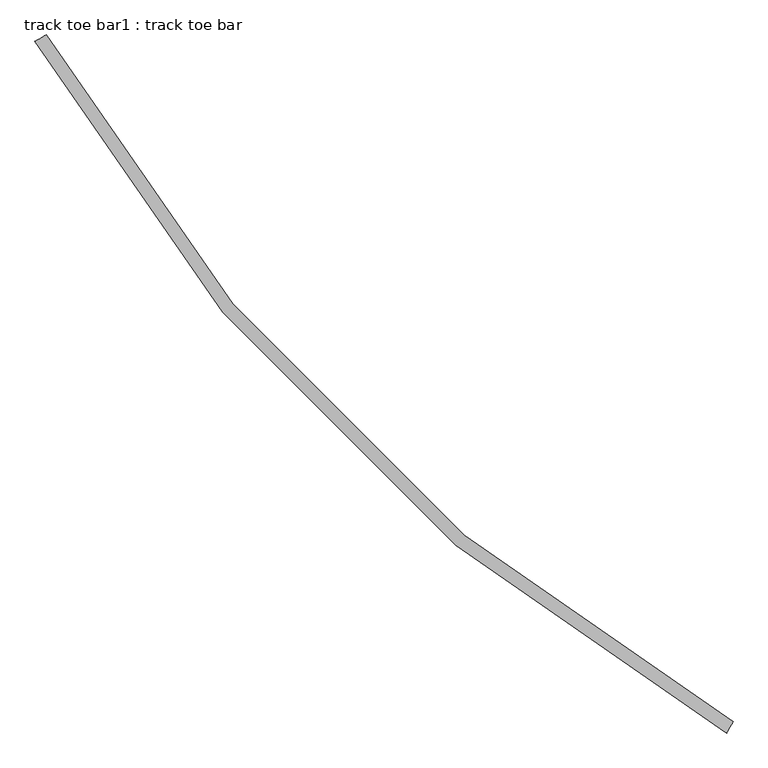
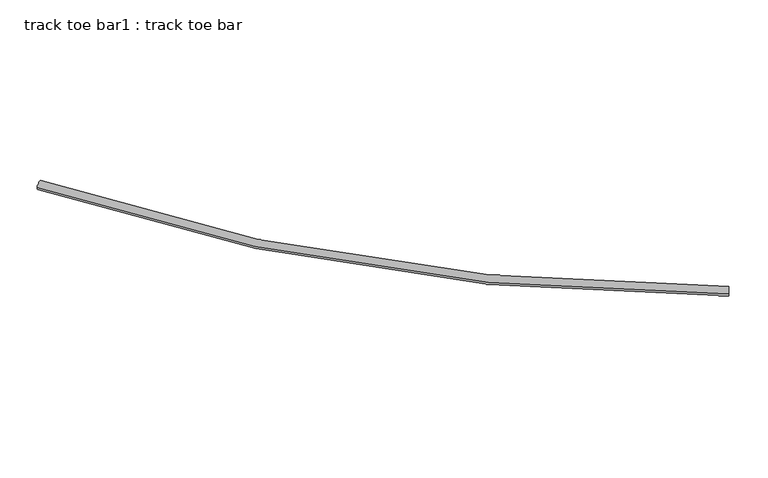
"""IFC4 building model written with IfcOpenShell, lengths in millimetres: proxy geometry, track toe bar1 : track toe bar."""

import ifcopenshell
import ifcopenshell.guid

model = None  # the IFC model being written
_history = None  # IfcOwnerHistory: only IFC2X3 demands one
_inside = {}  # id of a spatial element -> (the spatial element, [elements in it])
_under = {}  # id of a project, library or spatial element -> (it, [spatial elements below it])
_declared = {}  # id of a project -> (the project, [libraries it declares])
_typed = {}  # id of a type object -> (the type object, [elements of that type])
_made_of = {}  # id of a material, layer set ... -> (it, [elements and type objects made of it])


def new_model(schema):
    """Start an empty IFC model of exactly this schema.

    Asked for "IFC4X3", IfcOpenShell would pick the latest addendum, in which some entities
    have other attributes; the version numbers below select the first issue.
    IFC2X3 requires an IfcOwnerHistory on every rooted entity: one is made here for all.
    """
    global model, _history
    if schema == "IFC4X3":
        model = ifcopenshell.file(schema_version=(4, 3, 0, 0))
    else:
        model = ifcopenshell.file(schema=schema)
    _inside.clear()
    _under.clear()
    _declared.clear()
    _typed.clear()
    _made_of.clear()
    _history = None
    if model.schema == "IFC2X3":
        org = make("IfcOrganization", Name="unknown")
        user = make(
            "IfcPersonAndOrganization",
            ThePerson=make("IfcPerson", FamilyName="unknown"),
            TheOrganization=org,
        )
        app = make(
            "IfcApplication",
            ApplicationDeveloper=org,
            Version="unknown",
            ApplicationFullName="unknown",
            ApplicationIdentifier="unknown",
        )
        _history = make(
            "IfcOwnerHistory",
            OwningUser=user,
            OwningApplication=app,
            ChangeAction="ADDED",
            CreationDate=0,
        )
    return model


def make(cls, **values):
    """One entity of the class cls with the attributes given. An attribute that is None is left unset."""
    return model.create_entity(
        cls, **{name: value for name, value in values.items() if value is not None}
    )


def rooted(cls, **values):
    """An entity with a GlobalId (a new one), such as an element, a storey or a relation."""
    return make(cls, GlobalId=ifcopenshell.guid.new(), OwnerHistory=_history, **values)


def si_unit(unit_type, name, prefix=None):
    """IfcSIUnit, for example si_unit("LENGTHUNIT", "METRE", prefix="MILLI")."""
    return make("IfcSIUnit", UnitType=unit_type, Prefix=prefix, Name=name)


def assignment(units):
    """IfcUnitAssignment: the units of a project."""
    return None if units is None else make("IfcUnitAssignment", Units=units)


def point(xyz):
    """IfcCartesianPoint."""
    return None if xyz is None else make("IfcCartesianPoint", Coordinates=xyz)


def direction(xyz):
    """IfcDirection."""
    return None if xyz is None else make("IfcDirection", DirectionRatios=xyz)


def frame(location, z_axis=None, x_axis=None):
    """IfcAxis2Placement3D, a coordinate frame: its origin and axes. An axis left out is left unset."""
    return make(
        "IfcAxis2Placement3D",
        Location=point(location),
        Axis=direction(z_axis),
        RefDirection=direction(x_axis),
    )


def origin():
    """The frame at (0, 0, 0) with its axes left unset."""
    return frame((0.0, 0.0, 0.0))


def place(relative_to, where):
    """IfcLocalPlacement: puts the frame where relative to a parent placement (None: the world)."""
    return make(
        "IfcLocalPlacement", PlacementRelTo=relative_to, RelativePlacement=where
    )


def context(
    kind, dimensions, precision=None, world=None, true_north=None, identifier=None
):
    """IfcGeometricRepresentationContext, for example the 3D "Model" context."""
    return make(
        "IfcGeometricRepresentationContext",
        ContextIdentifier=identifier,
        ContextType=kind,
        CoordinateSpaceDimension=dimensions,
        Precision=precision,
        WorldCoordinateSystem=world,
        TrueNorth=true_north,
    )


def project(units=None, contexts=None):
    """IfcProject with its units and contexts."""
    return rooted(
        "IfcProject",
        Name="project",
        RepresentationContexts=contexts,
        UnitsInContext=assignment(units),
    )


def spatial(cls, under=None, at=None, **own):
    """A site, building, storey or space (cls), placed at a placement, below another one or the project."""
    s = rooted(cls, ObjectPlacement=at, **own)
    if under is not None:
        _under.setdefault(under.id(), (under, []))[1].append(s)
    return s


def circle_curve(where, radius):
    """IfcCircle in the frame where."""
    return make("IfcCircle", Position=where, Radius=radius)


def ellipse_curve(where, semi_axis1, semi_axis2):
    """IfcEllipse in the frame where."""
    return make(
        "IfcEllipse", Position=where, SemiAxis1=semi_axis1, SemiAxis2=semi_axis2
    )


def trimmed(basis, trim1, trim2, sense, master):
    """IfcTrimmedCurve: the piece of a basis curve between two trims."""
    return make(
        "IfcTrimmedCurve",
        BasisCurve=basis,
        Trim1=trim1,
        Trim2=trim2,
        SenseAgreement=sense,
        MasterRepresentation=master,
    )


def shape(context_of_items, identifier, shape_type, items):
    """IfcShapeRepresentation: the items that make up one representation, for example the "Body"."""
    return make(
        "IfcShapeRepresentation",
        ContextOfItems=context_of_items,
        RepresentationIdentifier=identifier,
        RepresentationType=shape_type,
        Items=items,
    )


def source(mapping_origin, context_of_items, identifier, shape_type, items):
    """IfcRepresentationMap: a shape defined once, which mapped items show again and again."""
    return make(
        "IfcRepresentationMap",
        MappingOrigin=mapping_origin,
        MappedRepresentation=shape(context_of_items, identifier, shape_type, items),
    )


def transform(
    local_origin,
    x_axis=None,
    y_axis=None,
    z_axis=None,
    scale=None,
    scale2=None,
    scale3=None,
    uniform=True,
):
    """IfcCartesianTransformationOperator3D, or its non-uniform kind. x_axis, y_axis, z_axis: its Axis1, 2, 3."""
    if uniform:
        return make(
            "IfcCartesianTransformationOperator3D",
            Axis1=direction(x_axis),
            Axis2=direction(y_axis),
            LocalOrigin=point(local_origin),
            Scale=scale,
            Axis3=direction(z_axis),
        )
    return make(
        "IfcCartesianTransformationOperator3DnonUniform",
        Axis1=direction(x_axis),
        Axis2=direction(y_axis),
        LocalOrigin=point(local_origin),
        Scale=scale,
        Axis3=direction(z_axis),
        Scale2=scale2,
        Scale3=scale3,
    )


def mapped(mapping_source, mapping_target):
    """IfcMappedItem: shows the shape of a source again, moved by a transform."""
    return make(
        "IfcMappedItem", MappingSource=mapping_source, MappingTarget=mapping_target
    )


def made_of(thing, what):
    """Note that an element or type object is made of a material, layer set ...; save() writes the relation."""
    if what is not None:
        _made_of.setdefault(what.id(), (what, []))[1].append(thing)
    return thing


def element(
    cls,
    number,
    at=None,
    inside=None,
    cuts=None,
    type_object=None,
    material=None,
    context=None,
    identifier="Body",
    shape_type=None,
    held_by="IfcProductDefinitionShape",
    body=None,
    shapes=None,
    **own,
):
    """One element of the class cls, such as IfcWall. Its Tag is "e" and its number.

    at: its placement. inside: the storey or other place that contains it. cuts: it is an
    opening in that element (IfcRelVoidsElement). A single representation is given by context,
    identifier, shape_type and body (its items); several are given by shapes. held_by: the class
    of the entity that holds the representations. save() writes the other relations.
    """
    e = rooted(cls, Tag="e%d" % number, ObjectPlacement=at, **own)
    if body is not None:
        shapes = [shape(context, identifier, shape_type, body)]
    if shapes is not None:
        e.Representation = make(held_by, Representations=shapes)
    if inside is not None:
        _inside.setdefault(inside.id(), (inside, []))[1].append(e)
    if cuts is not None:
        rooted(
            "IfcRelVoidsElement", RelatingBuildingElement=cuts, RelatedOpeningElement=e
        )
    if type_object is not None:
        _typed.setdefault(type_object.id(), (type_object, []))[1].append(e)
    return made_of(e, material)


def aggregate(whole, parts):
    """IfcRelAggregates: a whole, such as a stair, and the parts it consists of."""
    return rooted("IfcRelAggregates", RelatingObject=whole, RelatedObjects=parts)


def save(model, path):
    """Write the relations noted so far, then the file.

    IfcRelAggregates (storeys below a building ...), IfcRelContainedInSpatialStructure (elements
    in a storey), IfcRelDefinesByType, IfcRelAssociatesMaterial and IfcRelDeclares: one each for
    every whole, place, type object, material and project.
    """
    for whole, parts in _under.values():
        aggregate(whole, parts)
    for where, things in _inside.values():
        rooted(
            "IfcRelContainedInSpatialStructure",
            RelatedElements=things,
            RelatingStructure=where,
        )
    for kind, things in _typed.values():
        rooted("IfcRelDefinesByType", RelatedObjects=things, RelatingType=kind)
    for what, things in _made_of.values():
        rooted("IfcRelAssociatesMaterial", RelatedObjects=things, RelatingMaterial=what)
    for by, libraries in _declared.values():
        rooted("IfcRelDeclares", RelatingContext=by, RelatedDefinitions=libraries)
    model.write(path)


def plane_surface(at):
    """IfcPlane: the flat surface through the origin of the frame at, square to its z axis."""
    return make("IfcPlane", Position=at)


def revolved_surface(curve, axis_point, axis_direction):
    """IfcSurfaceOfRevolution: the curve turned about the line through axis_point along axis_direction."""
    return make(
        "IfcSurfaceOfRevolution",
        SweptCurve=make("IfcArbitraryOpenProfileDef", ProfileType="CURVE", Curve=curve),
        AxisPosition=make("IfcAxis1Placement", Location=point(axis_point), Axis=direction(axis_direction)),
    )


def advanced_brep(points, edges, surfaces, faces):
    """IfcAdvancedBrep: a solid bounded by faces that lie on surfaces and meet in shared edges.

    An edge is (start, end): straight between two places in points (the first is 0);
    or (start, end, curve); or (start, end, curve, False) where it runs against its curve.
    A face is (place in surfaces, loops), or (place, loops, False) where it looks against
    its surface's normal. A loop lists edges by number (the first is 1), with a minus sign
    where the edge is run from its end to its start. The first loop is the outer one.
    """
    corners = [point(p) for p in points]
    vertices = [make("IfcVertexPoint", VertexGeometry=c) for c in corners]
    made = []
    for start, end, *more in edges:
        made.append(
            make(
                "IfcEdgeCurve",
                EdgeStart=vertices[start],
                EdgeEnd=vertices[end],
                EdgeGeometry=more[0] if more else make("IfcPolyline", Points=[corners[start], corners[end]]),
                SameSense=more[1] if len(more) > 1 else True,
            )
        )
    hull = []
    for where, loops, *sense in faces:
        bounds = []
        for j, loop in enumerate(loops):
            ring = [make("IfcOrientedEdge", EdgeElement=made[abs(k) - 1], Orientation=k > 0) for k in loop]
            bounds.append(
                make(
                    "IfcFaceOuterBound" if j == 0 else "IfcFaceBound",
                    Bound=make("IfcEdgeLoop", EdgeList=ring),
                    Orientation=True,
                )
            )
        hull.append(make("IfcAdvancedFace", Bounds=bounds, FaceSurface=surfaces[where], SameSense=sense[0] if sense else True))
    return make("IfcAdvancedBrep", Outer=make("IfcClosedShell", CfsFaces=hull))


def track_toe_bar1_track_toe_bar_f0b1644d(model_context):
    return source(origin(), model_context, "Body", "AdvancedBrep", [
        advanced_brep(
        [(489686.8531663, -280776.2731388, 4855.8150744), (489753.112354, -280738.6412367, 4855.8150744), (493689.901925, -284779.3218975, 4855.8150744), (493727.5338271, -284713.0627099, 4855.8150744)],
        [
            (0, 1, circle_curve(frame((489719.9827602, -280757.4571878, 4855.8150744), z_axis=(-0.493856982949602, 0.8695431446408605, 0.0), x_axis=(0.8695431446408605, 0.493856982949602, 0.0)), 38.1)),
            (1, 0, circle_curve(frame((489719.9827602, -280757.4571878, 4855.8150744), z_axis=(-0.493856982949602, 0.8695431446408605, 0.0), x_axis=(0.8695431446408605, 0.493856982949602, 0.0)), 38.1)),
            (2, 3, circle_curve(frame((493708.7178761, -284746.1923037, 4855.8150744), z_axis=(0.8695431446408337, -0.49385698294964936, 0.0), x_axis=(0.49385698294964936, 0.8695431446408337, 0.0)), 38.1)),
            (3, 2, circle_curve(frame((493708.7178761, -284746.1923037, 4855.8150744), z_axis=(0.8695431446408337, -0.49385698294964936, 0.0), x_axis=(0.49385698294964936, 0.8695431446408337, 0.0)), 38.1)),
            (3, 1, circle_curve(frame((498952.0962355, -275514.0788284, 4855.8150744), z_axis=(0.0, 0.0, -1.0), x_axis=(-0.8695431446408605, -0.493856982949602, 0.0)), 10579.1)),
            (0, 2, circle_curve(frame((498952.0962355, -275514.0788284, 4855.8150744), z_axis=(0.0, 0.0, 1.0), x_axis=(-0.8695431446408605, -0.493856982949602, 0.0)), 10655.3)),
        ],
        [
            plane_surface(frame((489719.9827602, -280757.4571878, 4927.6), z_axis=(-0.49385698294960206, 0.8695431446408606, 0.0), x_axis=(0.0, 0.0, 1.0))),
            plane_surface(frame((493708.7178761, -284746.1923037, 4927.6), z_axis=(0.8695431446408337, -0.4938569829496494, 0.0), x_axis=(0.0, 0.0, 1.0))),
            revolved_surface(trimmed(ellipse_curve(frame((489719.9827602, -280757.4571878, 4855.8150744), z_axis=(-0.493856982949602, 0.8695431446408605, 0.0), x_axis=(0.8695431446408605, 0.493856982949602, 0.0)), 38.1, 38.1), [point((489686.8531663, -280776.2731388, 4855.8150744))], [point((489753.112354, -280738.6412367, 4855.8150744))], True, "CARTESIAN"), (498952.0962355, -275514.0788284, 4927.6), (0.0, 0.0, 1.0)),
            revolved_surface(trimmed(ellipse_curve(frame((489719.9827602, -280757.4571878, 4855.8150744), z_axis=(-0.493856982949602, 0.8695431446408605, 0.0), x_axis=(0.8695431446408605, 0.493856982949602, 0.0)), 38.1, 38.1), [point((489753.112354, -280738.6412367, 4855.8150744))], [point((489686.8531663, -280776.2731388, 4855.8150744))], True, "CARTESIAN"), (498952.0962355, -275514.0788284, 4927.6), (0.0, 0.0, 1.0)),
        ],
        [
            (0, [[1, 2]]),
            (1, [[3, 4]]),
            (2, [[5, -1, 6, -4]]),
            (3, [[-6, -2, -5, -3]]),
        ],
    ),
    ])


if __name__ == "__main__":
    model = new_model("IFC4")
    model_context = context("Model", 3, world=origin())
    ifc_project = project(units=[si_unit("LENGTHUNIT", "METRE", prefix="MILLI")], contexts=[model_context])
    site = spatial("IfcSite", under=ifc_project)
    building = spatial("IfcBuilding", under=site)
    placement = place(None, origin())
    track_toe_bar1_track_toe_bar_shape = track_toe_bar1_track_toe_bar_f0b1644d(model_context)
    element("IfcBuildingElementProxy", 1, Name="track toe bar1 : track toe bar", ObjectType="track toe bar1 : track toe bar", at=placement, inside=building, context=model_context, shape_type="MappedRepresentation", body=[
        mapped(track_toe_bar1_track_toe_bar_shape, transform((0.0, 0.0, 0.0), x_axis=(1.0, 0.0, 0.0), y_axis=(0.0, 1.0, 0.0), z_axis=(0.0, 0.0, 1.0))),
    ])
    save(model, "model.ifc")
